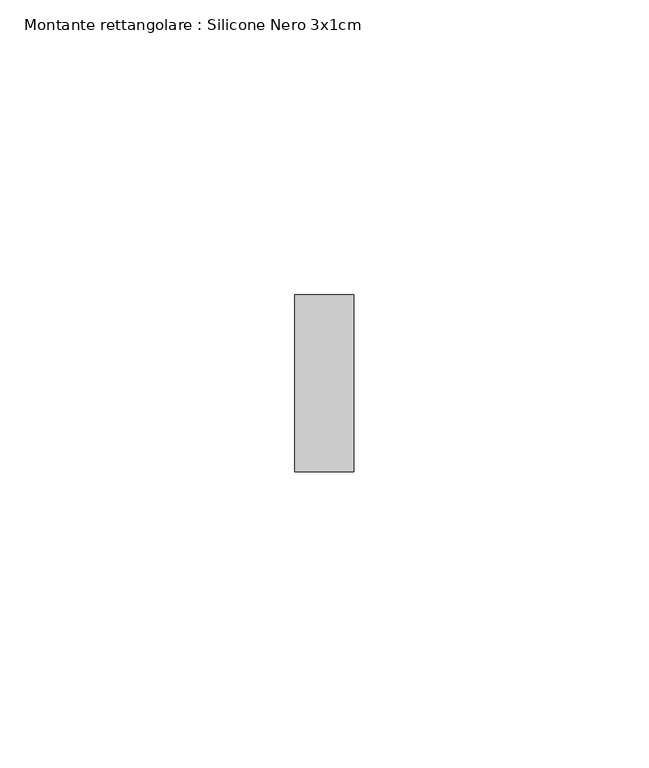
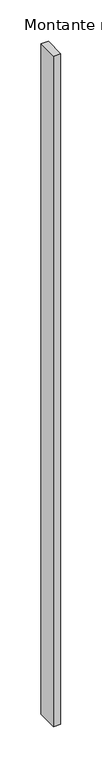
"""IFC4 building model written with IfcOpenShell, lengths in millimetres: member geometry, Montante rettangolare : Silicone Nero 3x1cm."""

import ifcopenshell
import ifcopenshell.guid

model = None  # the IFC model being written
_history = None  # IfcOwnerHistory: only IFC2X3 demands one
_inside = {}  # id of a spatial element -> (the spatial element, [elements in it])
_under = {}  # id of a project, library or spatial element -> (it, [spatial elements below it])
_declared = {}  # id of a project -> (the project, [libraries it declares])
_typed = {}  # id of a type object -> (the type object, [elements of that type])
_made_of = {}  # id of a material, layer set ... -> (it, [elements and type objects made of it])


def new_model(schema):
    """Start an empty IFC model of exactly this schema.

    Asked for "IFC4X3", IfcOpenShell would pick the latest addendum, in which some entities
    have other attributes; the version numbers below select the first issue.
    IFC2X3 requires an IfcOwnerHistory on every rooted entity: one is made here for all.
    """
    global model, _history
    if schema == "IFC4X3":
        model = ifcopenshell.file(schema_version=(4, 3, 0, 0))
    else:
        model = ifcopenshell.file(schema=schema)
    _inside.clear()
    _under.clear()
    _declared.clear()
    _typed.clear()
    _made_of.clear()
    _history = None
    if model.schema == "IFC2X3":
        org = make("IfcOrganization", Name="unknown")
        user = make(
            "IfcPersonAndOrganization",
            ThePerson=make("IfcPerson", FamilyName="unknown"),
            TheOrganization=org,
        )
        app = make(
            "IfcApplication",
            ApplicationDeveloper=org,
            Version="unknown",
            ApplicationFullName="unknown",
            ApplicationIdentifier="unknown",
        )
        _history = make(
            "IfcOwnerHistory",
            OwningUser=user,
            OwningApplication=app,
            ChangeAction="ADDED",
            CreationDate=0,
        )
    return model


def make(cls, **values):
    """One entity of the class cls with the attributes given. An attribute that is None is left unset."""
    return model.create_entity(
        cls, **{name: value for name, value in values.items() if value is not None}
    )


def rooted(cls, **values):
    """An entity with a GlobalId (a new one), such as an element, a storey or a relation."""
    return make(cls, GlobalId=ifcopenshell.guid.new(), OwnerHistory=_history, **values)


def si_unit(unit_type, name, prefix=None):
    """IfcSIUnit, for example si_unit("LENGTHUNIT", "METRE", prefix="MILLI")."""
    return make("IfcSIUnit", UnitType=unit_type, Prefix=prefix, Name=name)


def assignment(units):
    """IfcUnitAssignment: the units of a project."""
    return None if units is None else make("IfcUnitAssignment", Units=units)


def point(xyz):
    """IfcCartesianPoint."""
    return None if xyz is None else make("IfcCartesianPoint", Coordinates=xyz)


def direction(xyz):
    """IfcDirection."""
    return None if xyz is None else make("IfcDirection", DirectionRatios=xyz)


def frame(location, z_axis=None, x_axis=None):
    """IfcAxis2Placement3D, a coordinate frame: its origin and axes. An axis left out is left unset."""
    return make(
        "IfcAxis2Placement3D",
        Location=point(location),
        Axis=direction(z_axis),
        RefDirection=direction(x_axis),
    )


def origin():
    """The frame at (0, 0, 0) with its axes left unset."""
    return frame((0.0, 0.0, 0.0))


def place(relative_to, where):
    """IfcLocalPlacement: puts the frame where relative to a parent placement (None: the world)."""
    return make(
        "IfcLocalPlacement", PlacementRelTo=relative_to, RelativePlacement=where
    )


def context(
    kind, dimensions, precision=None, world=None, true_north=None, identifier=None
):
    """IfcGeometricRepresentationContext, for example the 3D "Model" context."""
    return make(
        "IfcGeometricRepresentationContext",
        ContextIdentifier=identifier,
        ContextType=kind,
        CoordinateSpaceDimension=dimensions,
        Precision=precision,
        WorldCoordinateSystem=world,
        TrueNorth=true_north,
    )


def project(units=None, contexts=None):
    """IfcProject with its units and contexts."""
    return rooted(
        "IfcProject",
        Name="project",
        RepresentationContexts=contexts,
        UnitsInContext=assignment(units),
    )


def spatial(cls, under=None, at=None, **own):
    """A site, building, storey or space (cls), placed at a placement, below another one or the project."""
    s = rooted(cls, ObjectPlacement=at, **own)
    if under is not None:
        _under.setdefault(under.id(), (under, []))[1].append(s)
    return s


def polyline(points):
    """IfcPolyline through the points."""
    return make("IfcPolyline", Points=[point(p) for p in points])


def outline(outer, holes=None, kind="AREA"):
    """IfcArbitraryClosedProfileDef: a profile drawn as a closed curve; with holes, ...WithVoids."""
    if holes is None:
        return make("IfcArbitraryClosedProfileDef", ProfileType=kind, OuterCurve=outer)
    return make(
        "IfcArbitraryProfileDefWithVoids",
        ProfileType=kind,
        OuterCurve=outer,
        InnerCurves=holes,
    )


def extrude(swept, where, along, depth):
    """IfcExtrudedAreaSolid: the profile swept, set in the frame where, extruded along a direction by depth."""
    return make(
        "IfcExtrudedAreaSolid",
        SweptArea=swept,
        Position=where,
        ExtrudedDirection=direction(along),
        Depth=depth,
    )


def shape(context_of_items, identifier, shape_type, items):
    """IfcShapeRepresentation: the items that make up one representation, for example the "Body"."""
    return make(
        "IfcShapeRepresentation",
        ContextOfItems=context_of_items,
        RepresentationIdentifier=identifier,
        RepresentationType=shape_type,
        Items=items,
    )


def source(mapping_origin, context_of_items, identifier, shape_type, items):
    """IfcRepresentationMap: a shape defined once, which mapped items show again and again."""
    return make(
        "IfcRepresentationMap",
        MappingOrigin=mapping_origin,
        MappedRepresentation=shape(context_of_items, identifier, shape_type, items),
    )


def transform(
    local_origin,
    x_axis=None,
    y_axis=None,
    z_axis=None,
    scale=None,
    scale2=None,
    scale3=None,
    uniform=True,
):
    """IfcCartesianTransformationOperator3D, or its non-uniform kind. x_axis, y_axis, z_axis: its Axis1, 2, 3."""
    if uniform:
        return make(
            "IfcCartesianTransformationOperator3D",
            Axis1=direction(x_axis),
            Axis2=direction(y_axis),
            LocalOrigin=point(local_origin),
            Scale=scale,
            Axis3=direction(z_axis),
        )
    return make(
        "IfcCartesianTransformationOperator3DnonUniform",
        Axis1=direction(x_axis),
        Axis2=direction(y_axis),
        LocalOrigin=point(local_origin),
        Scale=scale,
        Axis3=direction(z_axis),
        Scale2=scale2,
        Scale3=scale3,
    )


def mapped(mapping_source, mapping_target):
    """IfcMappedItem: shows the shape of a source again, moved by a transform."""
    return make(
        "IfcMappedItem", MappingSource=mapping_source, MappingTarget=mapping_target
    )


def made_of(thing, what):
    """Note that an element or type object is made of a material, layer set ...; save() writes the relation."""
    if what is not None:
        _made_of.setdefault(what.id(), (what, []))[1].append(thing)
    return thing


def element(
    cls,
    number,
    at=None,
    inside=None,
    cuts=None,
    type_object=None,
    material=None,
    context=None,
    identifier="Body",
    shape_type=None,
    held_by="IfcProductDefinitionShape",
    body=None,
    shapes=None,
    **own,
):
    """One element of the class cls, such as IfcWall. Its Tag is "e" and its number.

    at: its placement. inside: the storey or other place that contains it. cuts: it is an
    opening in that element (IfcRelVoidsElement). A single representation is given by context,
    identifier, shape_type and body (its items); several are given by shapes. held_by: the class
    of the entity that holds the representations. save() writes the other relations.
    """
    e = rooted(cls, Tag="e%d" % number, ObjectPlacement=at, **own)
    if body is not None:
        shapes = [shape(context, identifier, shape_type, body)]
    if shapes is not None:
        e.Representation = make(held_by, Representations=shapes)
    if inside is not None:
        _inside.setdefault(inside.id(), (inside, []))[1].append(e)
    if cuts is not None:
        rooted(
            "IfcRelVoidsElement", RelatingBuildingElement=cuts, RelatedOpeningElement=e
        )
    if type_object is not None:
        _typed.setdefault(type_object.id(), (type_object, []))[1].append(e)
    return made_of(e, material)


def aggregate(whole, parts):
    """IfcRelAggregates: a whole, such as a stair, and the parts it consists of."""
    return rooted("IfcRelAggregates", RelatingObject=whole, RelatedObjects=parts)


def save(model, path):
    """Write the relations noted so far, then the file.

    IfcRelAggregates (storeys below a building ...), IfcRelContainedInSpatialStructure (elements
    in a storey), IfcRelDefinesByType, IfcRelAssociatesMaterial and IfcRelDeclares: one each for
    every whole, place, type object, material and project.
    """
    for whole, parts in _under.values():
        aggregate(whole, parts)
    for where, things in _inside.values():
        rooted(
            "IfcRelContainedInSpatialStructure",
            RelatedElements=things,
            RelatingStructure=where,
        )
    for kind, things in _typed.values():
        rooted("IfcRelDefinesByType", RelatedObjects=things, RelatingType=kind)
    for what, things in _made_of.values():
        rooted("IfcRelAssociatesMaterial", RelatedObjects=things, RelatingMaterial=what)
    for by, libraries in _declared.values():
        rooted("IfcRelDeclares", RelatingContext=by, RelatedDefinitions=libraries)
    model.write(path)


def montante_rettangolare_silicone_nero_3x1cm_659231d8(model_context):
    return source(origin(), model_context, "Body", "SweptSolid", [
        extrude(outline(polyline([(5.0, 30.0), (5.0, 0.0), (-5.0, 0.0), (-5.0, 30.0), (5.0, 30.0)])), frame((0.0, 0.0, -990.0), z_axis=(0.0, 0.0, 1.0), x_axis=(1.0, 0.0, 0.0)), (0.0, 0.0, 1.0), 990.0),
    ])


if __name__ == "__main__":
    model = new_model("IFC4")
    model_context = context("Model", 3, world=origin())
    ifc_project = project(units=[si_unit("LENGTHUNIT", "METRE", prefix="MILLI")], contexts=[model_context])
    site = spatial("IfcSite", under=ifc_project)
    building = spatial("IfcBuilding", under=site)
    placement = place(None, origin())
    montante_rettangolare_silicone_nero_3x1cm_shape = montante_rettangolare_silicone_nero_3x1cm_659231d8(model_context)
    element("IfcMember", 1, ObjectType="Montante rettangolare : Silicone Nero 3x1cm", at=placement, inside=building, context=model_context, shape_type="MappedRepresentation", body=[
        mapped(montante_rettangolare_silicone_nero_3x1cm_shape, transform((0.0, 0.0, 0.0), x_axis=(1.0, 0.0, 0.0), y_axis=(0.0, 1.0, 0.0), z_axis=(0.0, 0.0, 1.0))),
    ])
    save(model, "model.ifc")
